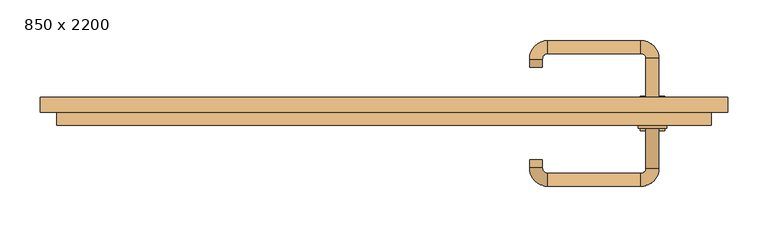
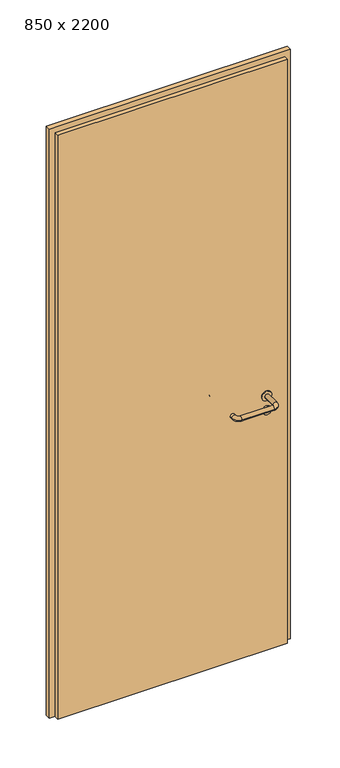
"""IFC4 building model written with IfcOpenShell, lengths in millimetres: door geometry, 850 x 2200."""

import ifcopenshell
import ifcopenshell.guid

model = None  # the IFC model being written
_history = None  # IfcOwnerHistory: only IFC2X3 demands one
_inside = {}  # id of a spatial element -> (the spatial element, [elements in it])
_under = {}  # id of a project, library or spatial element -> (it, [spatial elements below it])
_declared = {}  # id of a project -> (the project, [libraries it declares])
_typed = {}  # id of a type object -> (the type object, [elements of that type])
_made_of = {}  # id of a material, layer set ... -> (it, [elements and type objects made of it])


def new_model(schema):
    """Start an empty IFC model of exactly this schema.

    Asked for "IFC4X3", IfcOpenShell would pick the latest addendum, in which some entities
    have other attributes; the version numbers below select the first issue.
    IFC2X3 requires an IfcOwnerHistory on every rooted entity: one is made here for all.
    """
    global model, _history
    if schema == "IFC4X3":
        model = ifcopenshell.file(schema_version=(4, 3, 0, 0))
    else:
        model = ifcopenshell.file(schema=schema)
    _inside.clear()
    _under.clear()
    _declared.clear()
    _typed.clear()
    _made_of.clear()
    _history = None
    if model.schema == "IFC2X3":
        org = make("IfcOrganization", Name="unknown")
        user = make(
            "IfcPersonAndOrganization",
            ThePerson=make("IfcPerson", FamilyName="unknown"),
            TheOrganization=org,
        )
        app = make(
            "IfcApplication",
            ApplicationDeveloper=org,
            Version="unknown",
            ApplicationFullName="unknown",
            ApplicationIdentifier="unknown",
        )
        _history = make(
            "IfcOwnerHistory",
            OwningUser=user,
            OwningApplication=app,
            ChangeAction="ADDED",
            CreationDate=0,
        )
    return model


def make(cls, **values):
    """One entity of the class cls with the attributes given. An attribute that is None is left unset."""
    return model.create_entity(
        cls, **{name: value for name, value in values.items() if value is not None}
    )


def rooted(cls, **values):
    """An entity with a GlobalId (a new one), such as an element, a storey or a relation."""
    return make(cls, GlobalId=ifcopenshell.guid.new(), OwnerHistory=_history, **values)


def si_unit(unit_type, name, prefix=None):
    """IfcSIUnit, for example si_unit("LENGTHUNIT", "METRE", prefix="MILLI")."""
    return make("IfcSIUnit", UnitType=unit_type, Prefix=prefix, Name=name)


def assignment(units):
    """IfcUnitAssignment: the units of a project."""
    return None if units is None else make("IfcUnitAssignment", Units=units)


def point(xyz):
    """IfcCartesianPoint."""
    return None if xyz is None else make("IfcCartesianPoint", Coordinates=xyz)


def direction(xyz):
    """IfcDirection."""
    return None if xyz is None else make("IfcDirection", DirectionRatios=xyz)


def frame(location, z_axis=None, x_axis=None):
    """IfcAxis2Placement3D, a coordinate frame: its origin and axes. An axis left out is left unset."""
    return make(
        "IfcAxis2Placement3D",
        Location=point(location),
        Axis=direction(z_axis),
        RefDirection=direction(x_axis),
    )


def frame_2d(location, x_axis=None):
    """IfcAxis2Placement2D, a coordinate frame in the plane: its origin and x axis."""
    return make(
        "IfcAxis2Placement2D", Location=point(location), RefDirection=direction(x_axis)
    )


def origin():
    """The frame at (0, 0, 0) with its axes left unset."""
    return frame((0.0, 0.0, 0.0))


def origin_with_axes():
    """The frame at (0, 0, 0) with the z axis (0, 0, 1) and the x axis (1, 0, 0) written out."""
    return frame((0.0, 0.0, 0.0), z_axis=(0.0, 0.0, 1.0), x_axis=(1.0, 0.0, 0.0))


def place(relative_to, where):
    """IfcLocalPlacement: puts the frame where relative to a parent placement (None: the world)."""
    return make(
        "IfcLocalPlacement", PlacementRelTo=relative_to, RelativePlacement=where
    )


def context(
    kind, dimensions, precision=None, world=None, true_north=None, identifier=None
):
    """IfcGeometricRepresentationContext, for example the 3D "Model" context."""
    return make(
        "IfcGeometricRepresentationContext",
        ContextIdentifier=identifier,
        ContextType=kind,
        CoordinateSpaceDimension=dimensions,
        Precision=precision,
        WorldCoordinateSystem=world,
        TrueNorth=true_north,
    )


def project(units=None, contexts=None):
    """IfcProject with its units and contexts."""
    return rooted(
        "IfcProject",
        Name="project",
        RepresentationContexts=contexts,
        UnitsInContext=assignment(units),
    )


def spatial(cls, under=None, at=None, **own):
    """A site, building, storey or space (cls), placed at a placement, below another one or the project."""
    s = rooted(cls, ObjectPlacement=at, **own)
    if under is not None:
        _under.setdefault(under.id(), (under, []))[1].append(s)
    return s


def polyline(points):
    """IfcPolyline through the points."""
    return make("IfcPolyline", Points=[point(p) for p in points])


def circle_curve(where, radius):
    """IfcCircle in the frame where."""
    return make("IfcCircle", Position=where, Radius=radius)


def ellipse_curve(where, semi_axis1, semi_axis2):
    """IfcEllipse in the frame where."""
    return make(
        "IfcEllipse", Position=where, SemiAxis1=semi_axis1, SemiAxis2=semi_axis2
    )


def trimmed(basis, trim1, trim2, sense, master):
    """IfcTrimmedCurve: the piece of a basis curve between two trims."""
    return make(
        "IfcTrimmedCurve",
        BasisCurve=basis,
        Trim1=trim1,
        Trim2=trim2,
        SenseAgreement=sense,
        MasterRepresentation=master,
    )


def segment(curve, same_sense, transition):
    """IfcCompositeCurveSegment."""
    return make(
        "IfcCompositeCurveSegment",
        Transition=transition,
        SameSense=same_sense,
        ParentCurve=curve,
    )


def composite_curve(segments, self_intersect=None):
    """IfcCompositeCurve: segments joined end to end."""
    return make("IfcCompositeCurve", Segments=segments, SelfIntersect=self_intersect)


def outline(outer, holes=None, kind="AREA"):
    """IfcArbitraryClosedProfileDef: a profile drawn as a closed curve; with holes, ...WithVoids."""
    if holes is None:
        return make("IfcArbitraryClosedProfileDef", ProfileType=kind, OuterCurve=outer)
    return make(
        "IfcArbitraryProfileDefWithVoids",
        ProfileType=kind,
        OuterCurve=outer,
        InnerCurves=holes,
    )


def extrude(swept, where, along, depth):
    """IfcExtrudedAreaSolid: the profile swept, set in the frame where, extruded along a direction by depth."""
    return make(
        "IfcExtrudedAreaSolid",
        SweptArea=swept,
        Position=where,
        ExtrudedDirection=direction(along),
        Depth=depth,
    )


def shape(context_of_items, identifier, shape_type, items):
    """IfcShapeRepresentation: the items that make up one representation, for example the "Body"."""
    return make(
        "IfcShapeRepresentation",
        ContextOfItems=context_of_items,
        RepresentationIdentifier=identifier,
        RepresentationType=shape_type,
        Items=items,
    )


def source(mapping_origin, context_of_items, identifier, shape_type, items):
    """IfcRepresentationMap: a shape defined once, which mapped items show again and again."""
    return make(
        "IfcRepresentationMap",
        MappingOrigin=mapping_origin,
        MappedRepresentation=shape(context_of_items, identifier, shape_type, items),
    )


def transform(
    local_origin,
    x_axis=None,
    y_axis=None,
    z_axis=None,
    scale=None,
    scale2=None,
    scale3=None,
    uniform=True,
):
    """IfcCartesianTransformationOperator3D, or its non-uniform kind. x_axis, y_axis, z_axis: its Axis1, 2, 3."""
    if uniform:
        return make(
            "IfcCartesianTransformationOperator3D",
            Axis1=direction(x_axis),
            Axis2=direction(y_axis),
            LocalOrigin=point(local_origin),
            Scale=scale,
            Axis3=direction(z_axis),
        )
    return make(
        "IfcCartesianTransformationOperator3DnonUniform",
        Axis1=direction(x_axis),
        Axis2=direction(y_axis),
        LocalOrigin=point(local_origin),
        Scale=scale,
        Axis3=direction(z_axis),
        Scale2=scale2,
        Scale3=scale3,
    )


def mapped(mapping_source, mapping_target):
    """IfcMappedItem: shows the shape of a source again, moved by a transform."""
    return make(
        "IfcMappedItem", MappingSource=mapping_source, MappingTarget=mapping_target
    )


def made_of(thing, what):
    """Note that an element or type object is made of a material, layer set ...; save() writes the relation."""
    if what is not None:
        _made_of.setdefault(what.id(), (what, []))[1].append(thing)
    return thing


def element(
    cls,
    number,
    at=None,
    inside=None,
    cuts=None,
    type_object=None,
    material=None,
    context=None,
    identifier="Body",
    shape_type=None,
    held_by="IfcProductDefinitionShape",
    body=None,
    shapes=None,
    **own,
):
    """One element of the class cls, such as IfcWall. Its Tag is "e" and its number.

    at: its placement. inside: the storey or other place that contains it. cuts: it is an
    opening in that element (IfcRelVoidsElement). A single representation is given by context,
    identifier, shape_type and body (its items); several are given by shapes. held_by: the class
    of the entity that holds the representations. save() writes the other relations.
    """
    e = rooted(cls, Tag="e%d" % number, ObjectPlacement=at, **own)
    if body is not None:
        shapes = [shape(context, identifier, shape_type, body)]
    if shapes is not None:
        e.Representation = make(held_by, Representations=shapes)
    if inside is not None:
        _inside.setdefault(inside.id(), (inside, []))[1].append(e)
    if cuts is not None:
        rooted(
            "IfcRelVoidsElement", RelatingBuildingElement=cuts, RelatedOpeningElement=e
        )
    if type_object is not None:
        _typed.setdefault(type_object.id(), (type_object, []))[1].append(e)
    return made_of(e, material)


def aggregate(whole, parts):
    """IfcRelAggregates: a whole, such as a stair, and the parts it consists of."""
    return rooted("IfcRelAggregates", RelatingObject=whole, RelatedObjects=parts)


def save(model, path):
    """Write the relations noted so far, then the file.

    IfcRelAggregates (storeys below a building ...), IfcRelContainedInSpatialStructure (elements
    in a storey), IfcRelDefinesByType, IfcRelAssociatesMaterial and IfcRelDeclares: one each for
    every whole, place, type object, material and project.
    """
    for whole, parts in _under.values():
        aggregate(whole, parts)
    for where, things in _inside.values():
        rooted(
            "IfcRelContainedInSpatialStructure",
            RelatedElements=things,
            RelatingStructure=where,
        )
    for kind, things in _typed.values():
        rooted("IfcRelDefinesByType", RelatedObjects=things, RelatingType=kind)
    for what, things in _made_of.values():
        rooted("IfcRelAssociatesMaterial", RelatedObjects=things, RelatingMaterial=what)
    for by, libraries in _declared.values():
        rooted("IfcRelDeclares", RelatingContext=by, RelatedDefinitions=libraries)
    model.write(path)


def plane_surface(at):
    """IfcPlane: the flat surface through the origin of the frame at, square to its z axis."""
    return make("IfcPlane", Position=at)


def cylinder_surface(at, radius):
    """IfcCylindricalSurface: all points at the distance radius from the z axis of the frame at."""
    return make("IfcCylindricalSurface", Position=at, Radius=radius)


def revolved_surface(curve, axis_point, axis_direction):
    """IfcSurfaceOfRevolution: the curve turned about the line through axis_point along axis_direction."""
    return make(
        "IfcSurfaceOfRevolution",
        SweptCurve=make("IfcArbitraryOpenProfileDef", ProfileType="CURVE", Curve=curve),
        AxisPosition=make("IfcAxis1Placement", Location=point(axis_point), Axis=direction(axis_direction)),
    )


def advanced_brep(points, edges, surfaces, faces):
    """IfcAdvancedBrep: a solid bounded by faces that lie on surfaces and meet in shared edges.

    An edge is (start, end): straight between two places in points (the first is 0);
    or (start, end, curve); or (start, end, curve, False) where it runs against its curve.
    A face is (place in surfaces, loops), or (place, loops, False) where it looks against
    its surface's normal. A loop lists edges by number (the first is 1), with a minus sign
    where the edge is run from its end to its start. The first loop is the outer one.
    """
    corners = [point(p) for p in points]
    vertices = [make("IfcVertexPoint", VertexGeometry=c) for c in corners]
    made = []
    for start, end, *more in edges:
        made.append(
            make(
                "IfcEdgeCurve",
                EdgeStart=vertices[start],
                EdgeEnd=vertices[end],
                EdgeGeometry=more[0] if more else make("IfcPolyline", Points=[corners[start], corners[end]]),
                SameSense=more[1] if len(more) > 1 else True,
            )
        )
    hull = []
    for where, loops, *sense in faces:
        bounds = []
        for j, loop in enumerate(loops):
            ring = [make("IfcOrientedEdge", EdgeElement=made[abs(k) - 1], Orientation=k > 0) for k in loop]
            bounds.append(
                make(
                    "IfcFaceOuterBound" if j == 0 else "IfcFaceBound",
                    Bound=make("IfcEdgeLoop", EdgeList=ring),
                    Orientation=True,
                )
            )
        hull.append(make("IfcAdvancedFace", Bounds=bounds, FaceSurface=surfaces[where], SameSense=sense[0] if sense else True))
    return make("IfcAdvancedBrep", Outer=make("IfcClosedShell", CfsFaces=hull))


def door_850_x_2200_c92cfeba(model_context):
    return source(origin(), model_context, "Body", "SolidModel", [
        extrude(outline(composite_curve([segment(trimmed(circle_curve(frame_2d((897.3605726, 332.0)), 15.0), [point((897.3605726, 347.0))], [point((897.3605726, 317.0))], False, "CARTESIAN"), True, "CONTINUOUS"), segment(trimmed(circle_curve(frame_2d((897.3605726, 332.0)), 15.0), [point((897.3605726, 317.0))], [point((897.3605726, 347.0))], False, "CARTESIAN"), True, "CONTINUOUS")], self_intersect=False), holes=[composite_curve([segment(trimmed(circle_curve(frame_2d((892.5833211, 331.9398032)), 2.0), [point((892.5833211, 333.9398032))], [point((892.5833211, 329.9398032))], True, "CARTESIAN"), True, "CONTINUOUS"), segment(polyline([(892.5833211, 329.9398032), (902.5833211, 329.9398032)]), True, "CONTINUOUS"), segment(trimmed(circle_curve(frame_2d((902.5833211, 331.9398032)), 2.0), [point((902.5833211, 329.9398032))], [point((902.5833211, 333.9398032))], True, "CARTESIAN"), True, "CONTINUOUS"), segment(polyline([(902.5833211, 333.9398032), (892.5833211, 333.9398032)]), True, "CONTINUOUS")], self_intersect=False)]), frame((0.0, -31.35, 0.0), z_axis=(0.0, 1.0, 0.0), x_axis=(0.0, 0.0, 1.0)), (0.0, 0.0, 1.0), 6.35),
        extrude(outline(composite_curve([segment(trimmed(circle_curve(frame_2d((950.0, 332.0)), 17.526), [point((950.0, 349.526))], [point((950.0, 314.474))], False, "CARTESIAN"), True, "CONTINUOUS"), segment(trimmed(circle_curve(frame_2d((950.0, 332.0)), 17.526), [point((950.0, 314.474))], [point((950.0, 349.526))], False, "CARTESIAN"), True, "CONTINUOUS")], self_intersect=False)), frame((0.0, -28.175, 0.0), z_axis=(0.0, 1.0, 0.0), x_axis=(0.0, 0.0, 1.0)), (0.0, 0.0, 1.0), 3.175),
        advanced_brep(
        [(340.0, -25.0, 950.0), (324.0, -25.0, 950.0), (324.0, -78.0, 950.0), (340.0, -78.0, 950.0), (317.8578644, -84.1421356, 950.0), (317.8578644, -100.1421356, 950.0), (202.8578644, -84.1421356, 950.0), (202.8578644, -100.1421356, 950.0), (196.008622, -77.2928932, 950.0), (180.008622, -77.2928932, 950.0), (180.008622, -67.2928932, 950.0), (196.008622, -67.2928932, 950.0)],
        [
            (0, 1, circle_curve(frame((332.0, -25.0, 950.0), z_axis=(0.0, 1.0, 0.0), x_axis=(-1.0, 0.0, 0.0)), 8.0)),
            (1, 0, circle_curve(frame((332.0, -25.0, 950.0), z_axis=(0.0, 1.0, 0.0), x_axis=(-1.0, 0.0, 0.0)), 8.0)),
            (1, 2),
            (2, 3, circle_curve(frame((332.0, -78.0, 950.0), z_axis=(0.0, 1.0, 0.0), x_axis=(-1.0, 0.0, 0.0)), 8.0)),
            (3, 0),
            (3, 2, circle_curve(frame((332.0, -78.0, 950.0), z_axis=(0.0, 1.0, 0.0), x_axis=(-1.0, 0.0, 0.0)), 8.0)),
            (4, 5, circle_curve(frame((317.8578644, -92.1421356, 950.0), z_axis=(1.0, 0.0, 0.0), x_axis=(0.0, 1.0, 0.0)), 8.0)),
            (5, 3, circle_curve(frame((317.8578644, -78.0, 950.0), z_axis=(0.0, 0.0, 1.0), x_axis=(1.0, 0.0, 0.0)), 22.1421356)),
            (2, 4, circle_curve(frame((317.8578644, -78.0, 950.0), z_axis=(0.0, 0.0, -1.0), x_axis=(1.0, 0.0, 0.0)), 6.1421356)),
            (5, 4, circle_curve(frame((317.8578644, -92.1421356, 950.0), z_axis=(1.0, 0.0, 0.0), x_axis=(0.0, 1.0, 0.0)), 8.0)),
            (4, 6),
            (6, 7, circle_curve(frame((202.8578644, -92.1421356, 950.0), z_axis=(1.0, 0.0, 0.0), x_axis=(0.0, 1.0, 0.0)), 8.0)),
            (7, 5),
            (7, 6, circle_curve(frame((202.8578644, -92.1421356, 950.0), z_axis=(1.0, 0.0, 0.0), x_axis=(0.0, 1.0, 0.0)), 8.0)),
            (8, 9, circle_curve(frame((188.008622, -77.2928932, 950.0), z_axis=(0.0, -1.0, 0.0), x_axis=(1.0, 0.0, 0.0)), 8.0)),
            (9, 7, circle_curve(frame((202.8578644, -77.2928932, 950.0), z_axis=(0.0, 0.0, 1.0), x_axis=(0.0, -1.0, 0.0)), 22.8492424)),
            (6, 8, circle_curve(frame((202.8578644, -77.2928932, 950.0), z_axis=(0.0, 0.0, -1.0), x_axis=(0.0, -1.0, 0.0)), 6.8492424)),
            (9, 8, circle_curve(frame((188.008622, -77.2928932, 950.0), z_axis=(0.0, -1.0, 0.0), x_axis=(1.0, 0.0, 0.0)), 8.0)),
            (10, 11, circle_curve(frame((188.008622, -67.2928932, 950.0), z_axis=(0.0, 1.0, 0.0), x_axis=(1.0, 0.0, 0.0)), 8.0)),
            (11, 10, circle_curve(frame((188.008622, -67.2928932, 950.0), z_axis=(0.0, 1.0, 0.0), x_axis=(1.0, 0.0, 0.0)), 8.0)),
            (8, 11),
            (10, 9),
        ],
        [
            plane_surface(frame((332.0, -25.0, 0.0), z_axis=(0.0, 1.0, 0.0), x_axis=(0.0, 0.0, 1.0))),
            cylinder_surface(frame((332.0, -25.0, 950.0), z_axis=(0.0, 1.0, 0.0), x_axis=(-1.0, 0.0, 0.0)), 8.0),
            revolved_surface(trimmed(ellipse_curve(frame((332.0, -78.0, 950.0), z_axis=(0.0, -1.0, 0.0), x_axis=(-1.0, 0.0, 0.0)), 8.0, 8.0), [point((340.0, -78.0, 950.0))], [point((324.0, -78.0, 950.0))], True, "CARTESIAN"), (317.8578644, -78.0, 0.0), (0.0, 0.0, 1.0)),
            revolved_surface(trimmed(ellipse_curve(frame((332.0, -78.0, 950.0), z_axis=(0.0, -1.0, 0.0), x_axis=(-1.0, 0.0, 0.0)), 8.0, 8.0), [point((324.0, -78.0, 950.0))], [point((340.0, -78.0, 950.0))], True, "CARTESIAN"), (317.8578644, -78.0, 0.0), (0.0, 0.0, 1.0)),
            cylinder_surface(frame((317.8578644, -92.1421356, 950.0), z_axis=(1.0, 0.0, 0.0), x_axis=(0.0, 1.0, 0.0)), 8.0),
            revolved_surface(trimmed(ellipse_curve(frame((202.8578644, -92.1421356, 950.0), z_axis=(-1.0, 0.0, 0.0), x_axis=(0.0, 1.0, 0.0)), 8.0, 8.0), [point((202.8578644, -100.1421356, 950.0))], [point((202.8578644, -84.1421356, 950.0))], True, "CARTESIAN"), (202.8578644, -77.2928932, 0.0), (0.0, 0.0, 1.0)),
            revolved_surface(trimmed(ellipse_curve(frame((202.8578644, -92.1421356, 950.0), z_axis=(-1.0, 0.0, 0.0), x_axis=(0.0, 1.0, 0.0)), 8.0, 8.0), [point((202.8578644, -84.1421356, 950.0))], [point((202.8578644, -100.1421356, 950.0))], True, "CARTESIAN"), (202.8578644, -77.2928932, 0.0), (0.0, 0.0, 1.0)),
            plane_surface(frame((188.008622, -67.2928932, 0.0), z_axis=(0.0, 1.0, 0.0), x_axis=(0.0, 0.0, 1.0))),
            cylinder_surface(frame((188.008622, -77.2928932, 950.0), z_axis=(0.0, -1.0, 0.0), x_axis=(1.0, 0.0, 0.0)), 8.0),
        ],
        [
            (0, [[1, 2]]),
            (1, [[3, 4, 5, -2]]),
            (1, [[-5, 6, -3, -1]]),
            (2, [[7, 8, -4, 9]]),
            (3, [[10, -9, -6, -8]]),
            (4, [[11, 12, 13, -7]]),
            (4, [[-13, 14, -11, -10]]),
            (5, [[15, 16, -12, 17]]),
            (6, [[18, -17, -14, -16]]),
            (7, [[19, 20]]),
            (8, [[21, -19, 22, -15]]),
            (8, [[-22, -20, -21, -18]]),
        ],
    ),
        extrude(outline(composite_curve([segment(trimmed(circle_curve(frame_2d((0.0, -15.0)), 15.0), [point((0.0, -30.0))], [point((0.0, 0.0))], False, "CARTESIAN"), True, "CONTINUOUS"), segment(trimmed(circle_curve(frame_2d((0.0, -15.0)), 15.0), [point((0.0, 0.0))], [point((0.0, -30.0))], False, "CARTESIAN"), True, "CONTINUOUS")], self_intersect=False), holes=[composite_curve([segment(trimmed(circle_curve(frame_2d((4.7772515, -14.9398032)), 2.0), [point((4.7772515, -16.9398032))], [point((4.7772515, -12.9398032))], True, "CARTESIAN"), True, "CONTINUOUS"), segment(polyline([(4.7772515, -12.9398032), (-5.2227485, -12.9398032)]), True, "CONTINUOUS"), segment(trimmed(circle_curve(frame_2d((-5.2227485, -14.9398032)), 2.0), [point((-5.2227485, -12.9398032))], [point((-5.2227485, -16.9398032))], True, "CARTESIAN"), True, "CONTINUOUS"), segment(polyline([(-5.2227485, -16.9398032), (4.7772515, -16.9398032)]), True, "CONTINUOUS")], self_intersect=False)]), frame((317.0, 5.0, 897.3605726), z_axis=(1.8870575173328306e-12, 1.0, 0.0), x_axis=(0.0, 0.0, -1.0)), (0.0, 0.0, 1.0), 6.35),
        extrude(outline(composite_curve([segment(trimmed(circle_curve(frame_2d((0.0, -17.526)), 17.526), [point((0.0, -35.052))], [point((0.0, 0.0))], False, "CARTESIAN"), True, "CONTINUOUS"), segment(trimmed(circle_curve(frame_2d((0.0, -17.526)), 17.526), [point((0.0, 0.0))], [point((0.0, -35.052))], False, "CARTESIAN"), True, "CONTINUOUS")], self_intersect=False)), frame((314.474, 5.0, 950.0), z_axis=(1.8870575173328306e-12, 1.0, 0.0), x_axis=(0.0, 0.0, -1.0)), (0.0, 0.0, 1.0), 3.175),
        advanced_brep(
        [(340.0, 5.0, 950.0), (324.0, 5.0, 950.0), (340.0, 58.0, 950.0), (324.0, 58.0, 950.0), (317.8578644, 64.1421356, 950.0), (317.8578644, 80.1421356, 950.0), (202.8578644, 80.1421356, 950.0), (202.8578644, 64.1421356, 950.0), (196.008622, 57.2928932, 950.0), (180.008622, 57.2928932, 950.0), (180.008622, 47.2928932, 950.0), (196.008622, 47.2928932, 950.0)],
        [
            (0, 1, circle_curve(frame((332.0, 5.0, 950.0), z_axis=(-1.888672253512351e-12, -1.0, 0.0), x_axis=(-1.0, 1.888672253512351e-12, 0.0)), 8.0)),
            (1, 0, circle_curve(frame((332.0, 5.0, 950.0), z_axis=(-1.888672253512351e-12, -1.0, 0.0), x_axis=(-1.0, 1.888672253512351e-12, 0.0)), 8.0)),
            (0, 2),
            (2, 3, circle_curve(frame((332.0, 58.0, 950.0), z_axis=(-1.888672253512351e-12, -1.0, 0.0), x_axis=(-1.0, 1.888672253512351e-12, 0.0)), 8.0)),
            (3, 1),
            (3, 2, circle_curve(frame((332.0, 58.0, 950.0), z_axis=(-1.888672253512351e-12, -1.0, 0.0), x_axis=(-1.0, 1.888672253512351e-12, 0.0)), 8.0)),
            (4, 3, circle_curve(frame((317.8578644, 58.0, 950.0), z_axis=(0.0, 0.0, -1.0), x_axis=(1.0, -1.880717803715015e-12, 0.0)), 6.1421356)),
            (2, 5, circle_curve(frame((317.8578644, 58.0, 950.0), z_axis=(0.0, 0.0, 1.0), x_axis=(1.0, -1.880717803715015e-12, 0.0)), 22.1421356)),
            (5, 4, circle_curve(frame((317.8578644, 72.1421356, 950.0), z_axis=(1.0, -1.913702061528922e-12, 0.0), x_axis=(-1.913702061528922e-12, -1.0, 0.0)), 8.0)),
            (4, 5, circle_curve(frame((317.8578644, 72.1421356, 950.0), z_axis=(1.0, -1.913702061528922e-12, 0.0), x_axis=(-1.913702061528922e-12, -1.0, 0.0)), 8.0)),
            (5, 6),
            (6, 7, circle_curve(frame((202.8578644, 72.1421356, 950.0), z_axis=(1.0, -1.913719828541269e-12, 0.0), x_axis=(-1.913719828541269e-12, -1.0, 0.0)), 8.0)),
            (7, 4),
            (7, 6, circle_curve(frame((202.8578644, 72.1421356, 950.0), z_axis=(1.0, -1.913719828541269e-12, 0.0), x_axis=(-1.913719828541269e-12, -1.0, 0.0)), 8.0)),
            (8, 7, circle_curve(frame((202.8578644, 57.2928932, 950.0), z_axis=(0.0, 0.0, -1.0), x_axis=(1.9120873253494017e-12, 1.0, 0.0)), 6.8492424)),
            (6, 9, circle_curve(frame((202.8578644, 57.2928932, 950.0), z_axis=(0.0, 0.0, 1.0), x_axis=(1.9120873253494017e-12, 1.0, 0.0)), 22.8492424)),
            (9, 8, circle_curve(frame((188.008622, 57.2928932, 950.0), z_axis=(1.890448610351751e-12, 1.0, 0.0), x_axis=(1.0, -1.890448610351751e-12, 0.0)), 8.0)),
            (8, 9, circle_curve(frame((188.008622, 57.2928932, 950.0), z_axis=(1.8888942981172756e-12, 1.0, 0.0), x_axis=(1.0, -1.8888942981172756e-12, 0.0)), 8.0)),
            (10, 11, circle_curve(frame((188.008622, 47.2928932, 950.0), z_axis=(-1.8903642334018795e-12, -1.0, 0.0), x_axis=(1.0, -1.8903642334018795e-12, 0.0)), 8.0)),
            (11, 10, circle_curve(frame((188.008622, 47.2928932, 950.0), z_axis=(-1.8903642334018795e-12, -1.0, 0.0), x_axis=(1.0, -1.8903642334018795e-12, 0.0)), 8.0)),
            (9, 10),
            (11, 8),
        ],
        [
            plane_surface(frame((332.0, 5.0, 0.0), z_axis=(-1.8870575173328306e-12, -1.0, 0.0), x_axis=(0.0, 0.0, 1.0))),
            cylinder_surface(frame((332.0, 5.0, 950.0), z_axis=(-1.888672253512351e-12, -1.0, 0.0), x_axis=(-1.0, 1.888672253512351e-12, 0.0)), 8.0),
            revolved_surface(trimmed(ellipse_curve(frame((332.0, 58.0, 950.0), z_axis=(-1.8823325398945356e-12, -1.0, 0.0), x_axis=(-1.0, 1.8823325398945356e-12, 0.0)), 8.0, 8.0), [point((340.0, 58.0, 950.0))], [point((324.0, 58.0, 950.0))], True, "CARTESIAN"), (317.8578644, 58.0, 0.0), (0.0, 0.0, 1.0)),
            revolved_surface(trimmed(ellipse_curve(frame((332.0, 58.0, 950.0), z_axis=(-1.8823325398945356e-12, -1.0, 0.0), x_axis=(-1.0, 1.8823325398945356e-12, 0.0)), 8.0, 8.0), [point((324.0, 58.0, 950.0))], [point((340.0, 58.0, 950.0))], True, "CARTESIAN"), (317.8578644, 58.0, 0.0), (0.0, 0.0, 1.0)),
            cylinder_surface(frame((317.8578644, 72.1421356, 950.0), z_axis=(1.0, -1.913719828541269e-12, 0.0), x_axis=(-1.913719828541269e-12, -1.0, 0.0)), 8.0),
            revolved_surface(trimmed(ellipse_curve(frame((202.8578644, 72.1421356, 950.0), z_axis=(1.0, -1.913702061528922e-12, 0.0), x_axis=(-1.913702061528922e-12, -1.0, 0.0)), 8.0, 8.0), [point((202.8578644, 80.1421356, 950.0))], [point((202.8578644, 64.1421356, 950.0))], True, "CARTESIAN"), (202.8578644, 57.2928932, 0.0), (0.0, 0.0, 1.0)),
            revolved_surface(trimmed(ellipse_curve(frame((202.8578644, 72.1421356, 950.0), z_axis=(1.0, -1.913702061528922e-12, 0.0), x_axis=(-1.913702061528922e-12, -1.0, 0.0)), 8.0, 8.0), [point((202.8578644, 64.1421356, 950.0))], [point((202.8578644, 80.1421356, 950.0))], True, "CARTESIAN"), (202.8578644, 57.2928932, 0.0), (0.0, 0.0, 1.0)),
            plane_surface(frame((188.008622, 47.2928932, 0.0), z_axis=(-1.8887494972223595e-12, -1.0, 0.0), x_axis=(0.0, 0.0, 1.0))),
            cylinder_surface(frame((188.008622, 57.2928932, 950.0), z_axis=(1.8903642334018795e-12, 1.0, 0.0), x_axis=(1.0, -1.8903642334018795e-12, 0.0)), 8.0),
        ],
        [
            (0, [[1, 2]]),
            (1, [[-1, 3, 4, 5]]),
            (1, [[-2, -5, 6, -3]]),
            (2, [[7, -4, 8, 9]]),
            (3, [[-8, -6, -7, 10]]),
            (4, [[-9, 11, 12, 13]]),
            (4, [[-10, -13, 14, -11]]),
            (5, [[15, -12, 16, 17]]),
            (6, [[-16, -14, -15, 18]]),
            (7, [[19, 20]]),
            (8, [[-17, 21, -20, 22]]),
            (8, [[-18, -22, -19, -21]]),
        ],
    ),
        extrude(outline(polyline([(2180.0, 405.0), (0.0, 405.0), (0.0, 425.0), (2200.0, 425.0), (2200.0, -425.0), (0.0, -425.0), (0.0, -405.0), (2180.0, -405.0), (2180.0, 405.0)])), frame((0.0, -9.0, 0.0), z_axis=(0.0, 1.0, 0.0), x_axis=(0.0, 0.0, 1.0)), (0.0, 0.0, 1.0), 19.0),
        extrude(outline(polyline([(-405.0, 5.0), (405.0, 5.0), (405.0, -25.0), (-405.0, -25.0), (-405.0, 5.0)])), origin_with_axes(), (0.0, 0.0, 1.0), 2180.0),
    ])


if __name__ == "__main__":
    model = new_model("IFC4")
    model_context = context("Model", 3, world=origin())
    ifc_project = project(units=[si_unit("LENGTHUNIT", "METRE", prefix="MILLI")], contexts=[model_context])
    site = spatial("IfcSite", under=ifc_project)
    building = spatial("IfcBuilding", under=site)
    placement = place(None, origin())
    door_850_x_2200_shape = door_850_x_2200_c92cfeba(model_context)
    element("IfcDoor", 1, ObjectType="850 x 2200", at=placement, inside=building, context=model_context, shape_type="MappedRepresentation", body=[
        mapped(door_850_x_2200_shape, transform((0.0, 0.0, 0.0), x_axis=(1.0, 0.0, 0.0), y_axis=(0.0, 1.0, 0.0), z_axis=(0.0, 0.0, 1.0))),
    ])
    save(model, "model.ifc")
